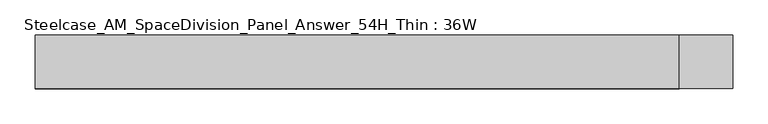
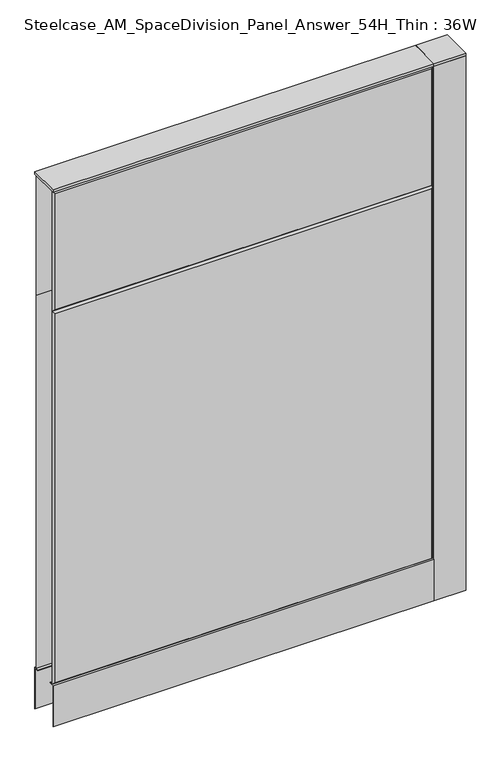
"""IFC4 building model written with IfcOpenShell, lengths in millimetres: furniture geometry, Steelcase_AM_SpaceDivision_Panel_Answer_54H_Thin : 36W."""

from ifc_helpers import new_model, si_unit, point, frame, frame_2d, origin, place, context, project, spatial, polyline, circle_curve, trimmed, segment, composite_curve, outline, extrude, faceted_brep, source, transform, mapped, element, save


def steelcase_am_spacedivision_panel_answer_54h_thin_36w_2843e057(model_context):
    return source(origin(), model_context, "Body", "SolidModel", [
        extrude(outline(polyline([(37.3075215, 119.8575157), (25.4000011, 119.8575157), (25.4000011, 120.65), (38.1000194, 120.65), (38.1000194, 15.494), (37.3075215, 15.494), (37.3075215, 119.8575157)])), frame((-457.2, 0.0, 0.0), z_axis=(1.0, 0.0, 0.0), x_axis=(0.0, 1.0, 0.0)), (0.0, 0.0, 1.0), 914.4),
        extrude(outline(polyline([(-37.3075215, 119.8575157), (-37.3075215, 15.494), (-38.1000194, 15.494), (-38.1000194, 120.65), (-25.4000011, 120.65), (-25.4000011, 119.8575157), (-37.3075215, 119.8575157)])), frame((-457.2, 0.0, 0.0), z_axis=(1.0, 0.0, 0.0), x_axis=(0.0, 1.0, 0.0)), (0.0, 0.0, 1.0), 914.4),
        extrude(outline(composite_curve([segment(trimmed(circle_curve(frame_2d((495.3, -1.94e-05)), 5.08), [point((500.38, -1.94e-05))], [point((490.22, -1.94e-05))], False, "CARTESIAN"), True, "CONTINUOUS"), segment(trimmed(circle_curve(frame_2d((495.3, -1.94e-05)), 5.08), [point((490.22, -1.94e-05))], [point((500.38, -1.94e-05))], False, "CARTESIAN"), True, "CONTINUOUS")], self_intersect=False)), frame((0.0, 0.0, 5.0799671), z_axis=(0.0, 0.0, 1.0), x_axis=(1.0, 0.0, 0.0)), (0.0, 0.0, 1.0), 10.414),
        extrude(outline(composite_curve([segment(trimmed(circle_curve(frame_2d((495.3, -1.94e-05)), 15.24), [point((510.54, -1.94e-05))], [point((480.06, -1.94e-05))], False, "CARTESIAN"), True, "CONTINUOUS"), segment(trimmed(circle_curve(frame_2d((495.3, -1.94e-05)), 15.24), [point((480.06, -1.94e-05))], [point((510.54, -1.94e-05))], False, "CARTESIAN"), True, "CONTINUOUS")], self_intersect=False)), frame((0.0, 0.0, -3.29e-05), z_axis=(0.0, 0.0, 1.0), x_axis=(1.0, 0.0, 0.0)), (0.0, 0.0, 1.0), 5.08),
        extrude(outline(polyline([(457.2, -38.1), (457.2, 38.1), (533.4, 38.1), (533.4, -38.1), (457.2, -38.1)])), frame((0.0, 0.0, 1371.5999671), z_axis=(0.0, 0.0, 1.0), x_axis=(1.0, 0.0, 0.0)), (0.0, 0.0, 1.0), 6.35),
        extrude(outline(polyline([(533.4, 38.1), (533.4, -38.1), (457.2, -38.1), (457.2, 38.1), (533.4, 38.1)])), frame((0.0, 0.0, 15.4939671), z_axis=(0.0, 0.0, 1.0), x_axis=(1.0, 0.0, 0.0)), (0.0, 0.0, 1.0), 1356.106),
        faceted_brep([(-452.374, 38.0960552, 1366.774), (452.374, 38.0960552, 1366.774), (452.374, 38.0960552, 1071.626), (-452.374, 38.0960552, 1071.626), (-457.2, 33.2700552, 1371.6), (-457.2, 33.2700552, 1066.8), (457.2, 33.2700552, 1066.8), (457.2, 33.2700552, 1371.6)], [[[0, 1, 2, 3]], [[4, 5, 6, 7]], [[4, 7, 1, 0]], [[7, 6, 2, 1]], [[6, 5, 3, 2]], [[5, 4, 0, 3]]]),
        faceted_brep([(-452.374, 38.0960552, 1061.974), (452.374, 38.0960552, 1061.974), (452.374, 38.0960552, 125.476), (-452.374, 38.0960552, 125.476), (-457.2, 33.2700552, 1066.8), (-457.2, 33.2700552, 120.65), (457.2, 33.2700552, 120.65), (457.2, 33.2700552, 1066.8)], [[[0, 1, 2, 3]], [[4, 5, 6, 7]], [[4, 7, 1, 0]], [[7, 6, 2, 1]], [[6, 5, 3, 2]], [[5, 4, 0, 3]]]),
        faceted_brep([(452.374, -38.0960552, 1366.774), (-452.374, -38.0960552, 1366.774), (-452.374, -38.0960552, 1071.626), (452.374, -38.0960552, 1071.626), (457.2, -33.2700552, 1371.6), (457.2, -33.2700552, 1066.8), (-457.2, -33.2700552, 1066.8), (-457.2, -33.2700552, 1371.6)], [[[0, 1, 2, 3]], [[4, 5, 6, 7]], [[4, 7, 1, 0]], [[7, 6, 2, 1]], [[6, 5, 3, 2]], [[5, 4, 0, 3]]]),
        faceted_brep([(452.374, -38.0960552, 1061.974), (-452.374, -38.0960552, 1061.974), (-452.374, -38.0960552, 125.476), (452.374, -38.0960552, 125.476), (457.2, -33.2700552, 1066.8), (457.2, -33.2700552, 120.65), (-457.2, -33.2700552, 120.65), (-457.2, -33.2700552, 1066.8)], [[[0, 1, 2, 3]], [[4, 5, 6, 7]], [[4, 7, 1, 0]], [[7, 6, 2, 1]], [[6, 5, 3, 2]], [[5, 4, 0, 3]]]),
        extrude(outline(polyline([(457.2, 38.1000194), (457.2, -38.1000194), (-457.2, -38.1000194), (-457.2, 38.1000194), (457.2, 38.1000194)])), frame((0.0, 0.0, 1371.6), z_axis=(0.0, 0.0, 1.0), x_axis=(1.0, 0.0, 0.0)), (0.0, 0.0, 1.0), 6.35),
    ])


if __name__ == "__main__":
    model = new_model("IFC4")
    model_context = context("Model", 3, world=origin())
    ifc_project = project(units=[si_unit("LENGTHUNIT", "METRE", prefix="MILLI")], contexts=[model_context])
    site = spatial("IfcSite", under=ifc_project)
    building = spatial("IfcBuilding", under=site)
    placement = place(None, origin())
    steelcase_am_spacedivision_panel_answer_54h_thin_36w_shape = steelcase_am_spacedivision_panel_answer_54h_thin_36w_2843e057(model_context)
    element("IfcFurniture", 1, ObjectType="Steelcase_AM_SpaceDivision_Panel_Answer_54H_Thin : 36W", at=placement, inside=building, context=model_context, shape_type="MappedRepresentation", body=[
        mapped(steelcase_am_spacedivision_panel_answer_54h_thin_36w_shape, transform((0.0, 0.0, 0.0), x_axis=(1.0, 0.0, 0.0), y_axis=(0.0, 1.0, 0.0), z_axis=(0.0, 0.0, 1.0))),
    ])
    save(model, "model.ifc")
